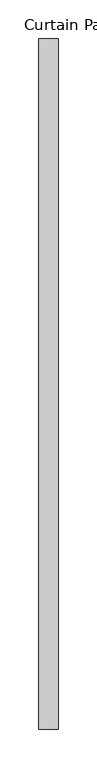
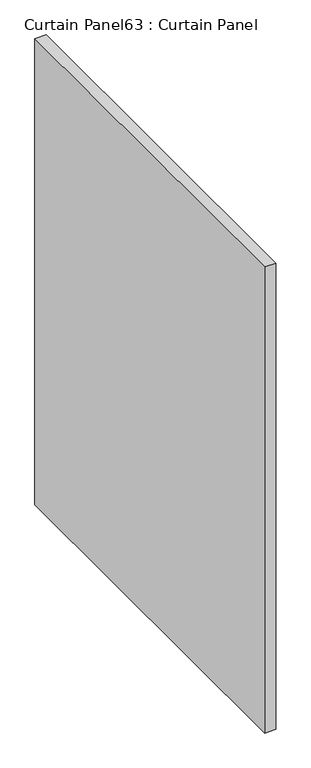
"""IFC4 building model written with IfcOpenShell, lengths in millimetres: plate geometry, Curtain Panel63 : Curtain Panel."""

from ifc_helpers import new_model, si_unit, frame, origin, place, context, project, spatial, polyline, outline, extrude, source, transform, mapped, element, save


def curtain_panel63_curtain_panel_ff733ca5(model_context):
    return source(origin(), model_context, "Body", "SweptSolid", [
        extrude(outline(polyline([(-38237.456025, -1954.9631042), (-38237.456025, -2850.3128778), (-38262.856025, -2850.3128778), (-38262.856025, -1954.9631042), (-38237.456025, -1954.9631042)])), frame((0.0, 0.0, 2479.690875), z_axis=(0.0, 0.0, 1.0), x_axis=(1.0, 0.0, 0.0)), (0.0, 0.0, 1.0), 1110.0804009),
    ])


if __name__ == "__main__":
    model = new_model("IFC4")
    model_context = context("Model", 3, world=origin())
    ifc_project = project(units=[si_unit("LENGTHUNIT", "METRE", prefix="MILLI")], contexts=[model_context])
    site = spatial("IfcSite", under=ifc_project)
    building = spatial("IfcBuilding", under=site)
    placement = place(None, origin())
    curtain_panel63_curtain_panel_shape = curtain_panel63_curtain_panel_ff733ca5(model_context)
    element("IfcPlate", 1, ObjectType="Curtain Panel63 : Curtain Panel", at=placement, inside=building, context=model_context, shape_type="MappedRepresentation", body=[
        mapped(curtain_panel63_curtain_panel_shape, transform((0.0, 0.0, 0.0), x_axis=(1.0, 0.0, 0.0), y_axis=(0.0, 1.0, 0.0), z_axis=(0.0, 0.0, 1.0))),
    ])
    save(model, "model.ifc")
